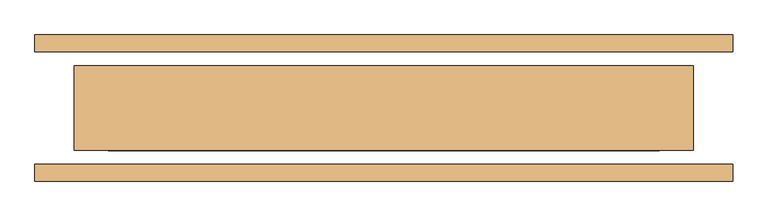
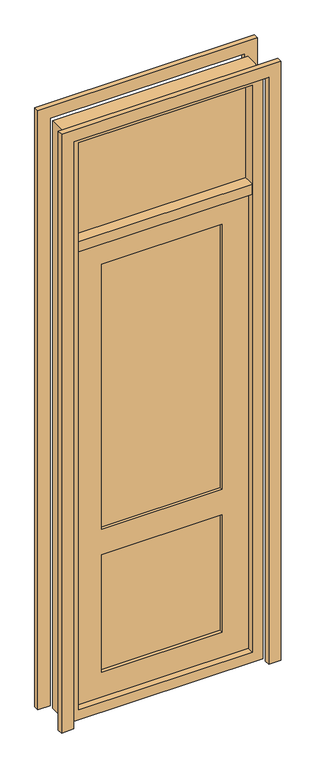
"""IFC4 building model written with IfcOpenShell, lengths in millimetres: door geometry."""

from ifc_helpers import new_model, si_unit, frame, origin, place, context, project, spatial, polyline, outline, extrude, faceted_brep, source, transform, mapped, element, save


def door_bea51935(model_context):
    return source(origin(), model_context, "Body", "SolidModel", [
        extrude(outline(polyline([(0.0, -620.0), (0.0, -550.0), (3500.0, -550.0), (3500.0, 550.0), (0.0, 550.0), (0.0, 620.0), (3570.0, 620.0), (3570.0, -620.0), (0.0, -620.0)])), frame((0.0, -130.0, 0.0), z_axis=(0.0, 1.0, 0.0), x_axis=(0.0, 0.0, 1.0)), (0.0, 0.0, 1.0), 30.0),
        faceted_brep([(490.0, -37.5, 2790.0), (-490.0, -37.5, 2790.0), (-490.0, -37.5, 60.0), (490.0, -37.5, 60.0), (-340.0, -37.5, 1060.0), (-340.0, -37.5, 2640.0), (340.0, -37.5, 2640.0), (340.0, -37.5, 1060.0), (340.0, -37.5, 910.0), (340.0, -37.5, 210.0), (-340.0, -37.5, 210.0), (-340.0, -37.5, 910.0), (-490.0, 37.5, 2790.0), (-490.0, 37.5, 60.0), (490.0, 37.5, 60.0), (490.0, 37.5, 2790.0), (340.0, -18.75, 910.0), (340.0, -18.75, 210.0), (-340.0, -18.75, 210.0), (-340.0, -18.75, 910.0), (-340.0, -18.75, 1060.0), (-340.0, -18.75, 2640.0), (340.0, -18.75, 2640.0), (340.0, -18.75, 1060.0), (-340.0, 37.5, 2640.0), (-340.0, 37.5, 1060.0), (340.0, 37.5, 1060.0), (340.0, 37.5, 2640.0), (-340.0, 37.5, 210.0), (340.0, 37.5, 210.0), (340.0, 37.5, 910.0), (-340.0, 37.5, 910.0), (-340.0, 18.75, 210.0), (340.0, 18.75, 210.0), (340.0, 18.75, 910.0), (-340.0, 18.75, 910.0), (-340.0, 18.75, 2640.0), (-340.0, 18.75, 1060.0), (340.0, 18.75, 1060.0), (340.0, 18.75, 2640.0)], [[[0, 1, 2, 3], [4, 5, 6, 7], [8, 9, 10, 11]], [[2, 1, 12, 13]], [[3, 2, 13, 14]], [[0, 3, 14, 15]], [[16, 17, 9, 8]], [[17, 18, 10, 9]], [[18, 19, 11, 10]], [[19, 16, 8, 11]], [[20, 21, 5, 4]], [[22, 23, 7, 6]], [[23, 20, 4, 7]], [[15, 14, 13, 12], [24, 25, 26, 27], [28, 29, 30, 31]], [[32, 33, 29, 28]], [[33, 34, 30, 29]], [[34, 35, 31, 30]], [[35, 32, 28, 31]], [[36, 37, 25, 24]], [[37, 38, 26, 25]], [[38, 39, 27, 26]], [[32, 35, 34, 33]], [[36, 39, 38, 37]], [[16, 19, 18, 17]], [[20, 23, 22, 21]], [[1, 0, 15, 12]], [[21, 22, 6, 5]], [[39, 36, 24, 27]]]),
        extrude(outline(polyline([(3500.0, 550.0), (3500.0, -550.0), (0.0, -550.0), (0.0, 550.0), (3500.0, 550.0)]), holes=[polyline([(3440.0, -490.0), (3440.0, 490.0), (60.0, 490.0), (60.0, -490.0), (3440.0, -490.0)])]), frame((0.0, -75.0, 0.0), z_axis=(0.0, 1.0, 0.0), x_axis=(0.0, 0.0, 1.0)), (0.0, 0.0, 1.0), 150.0),
        extrude(outline(polyline([(0.0, -620.0), (0.0, -550.0), (3500.0, -550.0), (3500.0, 550.0), (0.0, 550.0), (0.0, 620.0), (3570.0, 620.0), (3570.0, -620.0), (0.0, -620.0)])), frame((0.0, 100.0, 0.0), z_axis=(0.0, 1.0, 0.0), x_axis=(0.0, 0.0, 1.0)), (0.0, 0.0, 1.0), 30.0),
        extrude(outline(polyline([(490.0, -10.0), (-490.0, -10.0), (-490.0, 10.0), (490.0, 10.0), (490.0, -10.0)])), frame((0.0, 0.0, 2850.0), z_axis=(0.0, 0.0, 1.0), x_axis=(1.0, 0.0, 0.0)), (0.0, 0.0, 1.0), 590.0),
        extrude(outline(polyline([(490.0, -75.0), (-490.0, -75.0), (-490.0, 75.0), (490.0, 75.0), (490.0, -75.0)])), frame((0.0, 0.0, 2790.0), z_axis=(0.0, 0.0, 1.0), x_axis=(1.0, 0.0, 0.0)), (0.0, 0.0, 1.0), 60.0),
    ])


if __name__ == "__main__":
    model = new_model("IFC4")
    model_context = context("Model", 3, world=origin())
    ifc_project = project(units=[si_unit("LENGTHUNIT", "METRE", prefix="MILLI")], contexts=[model_context])
    site = spatial("IfcSite", under=ifc_project)
    building = spatial("IfcBuilding", under=site)
    placement = place(None, origin())
    door_shape = door_bea51935(model_context)
    element("IfcDoor", 1, at=placement, inside=building, context=model_context, shape_type="MappedRepresentation", body=[
        mapped(door_shape, transform((0.0, 0.0, 0.0), x_axis=(1.0, 0.0, 0.0), y_axis=(0.0, 1.0, 0.0), z_axis=(0.0, 0.0, 1.0))),
    ])
    save(model, "model.ifc")
